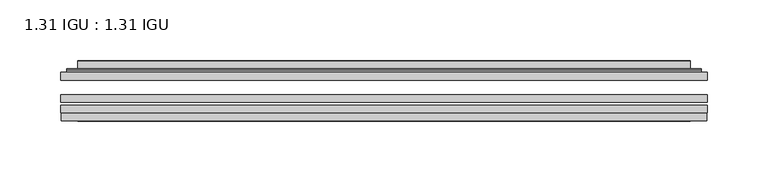
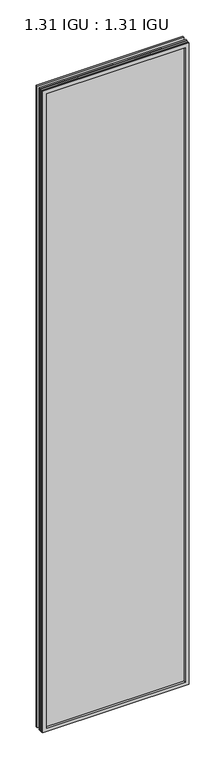
"""IFC4 building model written with IfcOpenShell, lengths in millimetres: plate geometry, 1.31 IGU : 1.31 IGU."""

from ifc_helpers import new_model, si_unit, frame, origin, place, context, project, spatial, polyline, ellipse_curve, outline, extrude, faceted_brep, source, transform, mapped, element, save
from ifc_brep_helpers import plane_surface, cylinder_surface, advanced_brep


def plate_1_31_igu_1_31_igu_f1dbaf82(model_context):
    return source(origin(), model_context, "Body", "SolidModel", [
        extrude(outline(polyline([(266.7140393, -63.59525), (266.7140393, -69.94525), (-266.6998644, -69.94525), (-266.6998644, -63.59525), (266.7140393, -63.59525)])), frame((0.0, 0.0, -14.2875), z_axis=(0.0, 0.0, 1.0), x_axis=(1.0, 0.0, 0.0)), (0.0, 0.0, 1.0), 2466.996575),
        extrude(outline(polyline([(-266.6998644, -78.58125), (-266.6998644, -72.230745), (266.7140393, -72.230745), (266.7140393, -78.58125), (-266.6998644, -78.58125)])), frame((0.0, 0.0, -14.2875), z_axis=(0.0, 0.0, 1.0), x_axis=(1.0, 0.0, 0.0)), (0.0, 0.0, 1.0), 2466.996575),
        extrude(outline(polyline([(266.7140393, -45.25645), (266.7140393, -51.60645), (-266.6998644, -51.60645), (-266.6998644, -45.25645), (266.7140393, -45.25645)])), frame((0.0, 0.0, -14.2875), z_axis=(0.0, 0.0, 1.0), x_axis=(1.0, 0.0, 0.0)), (0.0, 0.0, 1.0), 2466.996575),
        faceted_brep([(-265.9996786, -84.93125, 2452.0050914), (-265.9996786, -78.58125, 2452.0050914), (-265.9996786, -78.58125, -13.5873142), (-265.9996786, -84.93125, -13.5873142), (265.9996786, -78.58125, -13.5873142), (265.9996786, -84.93125, -13.5873142), (265.9996786, -78.58125, 2452.0050914), (265.9996786, -84.93125, 2452.0050914), (-251.5146202, -78.58125, 0.8977441), (251.5146202, -78.58125, 0.8977441), (251.5146202, -78.58125, 2437.520033), (-251.5146202, -78.58125, 2437.520033), (-252.4070545, -84.93125, 2438.4124673), (252.4070545, -84.93125, 2438.4124673), (252.4070545, -84.93125, 0.0053098), (-252.4070545, -84.93125, 0.0053098)], [[[0, 1, 2, 3]], [[3, 2, 4, 5]], [[5, 4, 6, 7]], [[1, 6, 4, 2], [8, 9, 10, 11]], [[7, 6, 1, 0]], [[3, 5, 7, 0], [12, 13, 14, 15]], [[11, 12, 15, 8]], [[8, 15, 14, 9]], [[9, 14, 13, 10]], [[10, 13, 12, 11]]]),
        advanced_brep(
        [(-259.4585834, -45.25645, 2445.4639962), (-261.8127888, -43.2667833, 2447.8182015), (-261.8127888, -43.2667833, -9.4004244), (-259.4585834, -45.25645, -7.046219), (-250.3842583, -41.416413, 2436.3896711), (-245.4494264, -45.25645, 2431.4548392), (-245.4494264, -45.25645, 6.9629379), (-250.3842583, -41.416413, 2.0281061), (-251.416286, -36.0191819, 2437.4216988), (-251.416286, -36.0191819, 0.9960783), (-252.4069428, -35.6202069, 2438.4123556), (-252.4069428, -35.6202069, 0.0054216), (-252.4069428, -42.08145, 2438.4123556), (-252.4069428, -42.08145, 0.0054216), (-260.8109992, -42.08145, 2446.816412), (-260.8109992, -42.08145, -8.3986349), (261.8127888, -43.2667833, -9.4004244), (259.4585834, -45.25645, -7.046219), (245.4494264, -45.25645, 6.9629379), (250.3842583, -41.416413, 2.0281061), (251.416286, -36.0191819, 0.9960783), (252.4069428, -35.6202069, 0.0054216), (252.4069428, -42.08145, 0.0054216), (260.8109992, -42.08145, -8.3986349), (261.8127888, -43.2667833, 2447.8182015), (259.4585834, -45.25645, 2445.4639962), (245.4494264, -45.25645, 2431.4548392), (250.3842583, -41.416413, 2436.3896711), (251.416286, -36.0191819, 2437.4216988), (252.4069428, -35.6202069, 2438.4123556), (252.4069428, -42.08145, 2438.4123556), (260.8109992, -42.08145, 2446.816412)],
        [
            (0, 1, ellipse_curve(frame((-259.4585834, -42.86885, 2445.4639962), z_axis=(-0.7071067811865475, 0.0, -0.7071067811865475), x_axis=(-0.7071067811865474, 0.0, 0.7071067811865476)), 3.3765763, 2.3876)),
            (1, 2),
            (2, 3, ellipse_curve(frame((-259.4585834, -42.86885, -7.046219), z_axis=(-0.7071067811865475, 0.0, 0.7071067811865475), x_axis=(0.7071067811865474, 0.0, 0.7071067811865476)), 3.3765763, 2.3876)),
            (3, 0),
            (4, 5),
            (5, 6),
            (6, 7),
            (7, 4),
            (8, 4),
            (7, 9),
            (9, 8),
            (10, 8, ellipse_curve(frame((-252.0399862, -36.1384423, 2438.045399), z_axis=(-0.7071067811865475, 0.0, -0.7071067811865475), x_axis=(-0.7071067811865474, 0.0, 0.7071067811865476)), 0.8980256, 0.635)),
            (9, 11, ellipse_curve(frame((-252.0399862, -36.1384423, 0.3723781), z_axis=(-0.7071067811865475, 0.0, 0.7071067811865475), x_axis=(0.7071067811865474, 0.0, 0.7071067811865476)), 0.8980256, 0.635)),
            (11, 10),
            (12, 10),
            (11, 13),
            (13, 12),
            (1, 14, ellipse_curve(frame((-260.8109992, -43.09745, 2446.816412), z_axis=(-0.7071067811865475, 0.0, -0.7071067811865475), x_axis=(-0.7071067811865474, 0.0, 0.7071067811865476)), 1.436841, 1.016)),
            (14, 15),
            (15, 2, ellipse_curve(frame((-260.8109992, -43.09745, -8.3986349), z_axis=(-0.7071067811865475, 0.0, 0.7071067811865475), x_axis=(0.7071067811865474, 0.0, 0.7071067811865476)), 1.436841, 1.016)),
            (2, 16),
            (16, 17, ellipse_curve(frame((259.4585834, -42.86885, -7.046219), z_axis=(-0.7071067811865475, 0.0, -0.7071067811865475), x_axis=(-0.7071067811865476, 0.0, 0.7071067811865474)), 3.3765763, 2.3876)),
            (17, 3),
            (6, 18),
            (18, 19),
            (19, 7),
            (19, 20),
            (20, 9),
            (20, 21, ellipse_curve(frame((252.0399862, -36.1384423, 0.3723781), z_axis=(-0.7071067811865475, 0.0, -0.7071067811865475), x_axis=(-0.7071067811865476, 0.0, 0.7071067811865474)), 0.8980256, 0.635)),
            (21, 11),
            (21, 22),
            (22, 13),
            (15, 23),
            (23, 16, ellipse_curve(frame((260.8109992, -43.09745, -8.3986349), z_axis=(-0.7071067811865475, 0.0, -0.7071067811865475), x_axis=(-0.7071067811865476, 0.0, 0.7071067811865474)), 1.436841, 1.016)),
            (16, 24),
            (24, 25, ellipse_curve(frame((259.4585834, -42.86885, 2445.4639962), z_axis=(0.7071067811865475, 0.0, -0.7071067811865475), x_axis=(-0.7071067811865474, 0.0, -0.7071067811865476)), 3.3765763, 2.3876)),
            (25, 17),
            (18, 26),
            (26, 27),
            (27, 19),
            (27, 28),
            (28, 20),
            (28, 29, ellipse_curve(frame((252.0399862, -36.1384423, 2438.045399), z_axis=(0.7071067811865475, 0.0, -0.7071067811865475), x_axis=(-0.7071067811865474, 0.0, -0.7071067811865476)), 0.8980256, 0.635)),
            (29, 21),
            (29, 30),
            (30, 22),
            (23, 31),
            (31, 24, ellipse_curve(frame((260.8109992, -43.09745, 2446.816412), z_axis=(0.7071067811865475, 0.0, -0.7071067811865475), x_axis=(-0.7071067811865474, 0.0, -0.7071067811865476)), 1.436841, 1.016)),
            (24, 1),
            (0, 25),
            (5, 26),
            (4, 27),
            (8, 28),
            (10, 29),
            (12, 30),
            (14, 31),
        ],
        [
            cylinder_surface(frame((-259.4585834, -42.86885, 2470.1677772), z_axis=(0.0, 0.0, 1.0), x_axis=(-1.0, 0.0, 0.0)), 2.3876),
            plane_surface(frame((-245.4494264, -45.25645, 2431.4548392), z_axis=(0.6141233906514794, 0.7892100234124821, 0.0), x_axis=(0.0, 0.0, -1.0))),
            plane_surface(frame((-250.3842583, -41.416413, 2436.3896711), z_axis=(0.9822050625507729, 0.18781164793386076, 0.0), x_axis=(0.0, 0.0, -1.0))),
            cylinder_surface(frame((-252.0399862, -36.1384423, 2470.1677772), z_axis=(0.0, 0.0, 1.0), x_axis=(-1.0, 0.0, 0.0)), 0.635),
            plane_surface(frame((-252.4069428, -35.6202069, 2438.4123556), z_axis=(-1.0, 0.0, 0.0), x_axis=(0.0, 0.0, -1.0))),
            cylinder_surface(frame((-260.8109992, -43.09745, 2470.1677772), z_axis=(0.0, 0.0, 1.0), x_axis=(-1.0, 0.0, 0.0)), 1.016),
            cylinder_surface(frame((-284.1623644, -42.86885, -7.046219), z_axis=(-1.0, 0.0, 0.0), x_axis=(0.0, 0.0, -1.0)), 2.3876),
            plane_surface(frame((-245.4494264, -45.25645, 6.9629379), z_axis=(0.0, 0.7892100234124841, 0.6141233906514768), x_axis=(1.0, 0.0, 0.0))),
            plane_surface(frame((-250.3842583, -41.416413, 2.0281061), z_axis=(0.0, 0.18781164793386393, 0.9822050625507723), x_axis=(1.0, 0.0, 0.0))),
            cylinder_surface(frame((-284.1623644, -36.1384423, 0.3723781), z_axis=(-1.0, 0.0, 0.0), x_axis=(0.0, 0.0, -1.0)), 0.635),
            plane_surface(frame((-252.4069428, -35.6202069, 0.0054216), z_axis=(0.0, 0.0, -1.0), x_axis=(1.0, 0.0, 0.0))),
            cylinder_surface(frame((-284.1623644, -43.09745, -8.3986349), z_axis=(-1.0, 0.0, 0.0), x_axis=(0.0, 0.0, -1.0)), 1.016),
            cylinder_surface(frame((259.4585834, -42.86885, -31.75), z_axis=(0.0, 0.0, -1.0), x_axis=(1.0, 0.0, 0.0)), 2.3876),
            plane_surface(frame((245.4494264, -45.25645, 6.9629379), z_axis=(-0.6141233906514743, 0.7892100234124861, 0.0), x_axis=(0.0, 0.0, 1.0))),
            plane_surface(frame((250.3842583, -41.416413, 2.0281061), z_axis=(-0.9822050625507718, 0.1878116479338671, 0.0), x_axis=(0.0, 0.0, 1.0))),
            cylinder_surface(frame((252.0399862, -36.1384423, -31.75), z_axis=(0.0, 0.0, -1.0), x_axis=(1.0, 0.0, 0.0)), 0.635),
            plane_surface(frame((252.4069428, -35.6202069, 0.0054216), z_axis=(1.0, 0.0, 0.0), x_axis=(0.0, 0.0, 1.0))),
            cylinder_surface(frame((260.8109992, -43.09745, -31.75), z_axis=(0.0, 0.0, -1.0), x_axis=(1.0, 0.0, 0.0)), 1.016),
            cylinder_surface(frame((284.1623644, -42.86885, 2445.4639962), z_axis=(1.0, 0.0, 0.0), x_axis=(0.0, 0.0, 1.0)), 2.3876),
            plane_surface(frame((259.4585834, -45.25645, 2445.4639962), z_axis=(0.0, -1.0, 0.0), x_axis=(-1.0, 0.0, 0.0))),
            plane_surface(frame((245.4494264, -45.25645, 2431.4548392), z_axis=(0.0, 0.7892100234124841, -0.6141233906514768), x_axis=(-1.0, 0.0, 0.0))),
            plane_surface(frame((250.3842583, -41.416413, 2436.3896711), z_axis=(0.0, 0.18781164793386393, -0.9822050625507723), x_axis=(-1.0, 0.0, 0.0))),
            cylinder_surface(frame((284.1623644, -36.1384423, 2438.045399), z_axis=(1.0, 0.0, 0.0), x_axis=(0.0, 0.0, 1.0)), 0.635),
            plane_surface(frame((252.4069428, -35.6202069, 2438.4123556), z_axis=(0.0, 0.0, 1.0), x_axis=(-1.0, 0.0, 0.0))),
            plane_surface(frame((252.4069428, -42.08145, 2438.4123556), z_axis=(0.0, 1.0, 0.0), x_axis=(-1.0, 0.0, 0.0))),
            cylinder_surface(frame((284.1623644, -43.09745, 2446.816412), z_axis=(1.0, 0.0, 0.0), x_axis=(0.0, 0.0, 1.0)), 1.016),
        ],
        [
            (0, [[1, 2, 3, 4]]),
            (1, [[5, 6, 7, 8]]),
            (2, [[9, -8, 10, 11]]),
            (3, [[12, -11, 13, 14]]),
            (4, [[15, -14, 16, 17]]),
            (5, [[18, 19, 20, -2]]),
            (6, [[-3, 21, 22, 23]]),
            (7, [[-7, 24, 25, 26]]),
            (8, [[-10, -26, 27, 28]]),
            (9, [[-13, -28, 29, 30]]),
            (10, [[-16, -30, 31, 32]]),
            (11, [[-20, 33, 34, -21]]),
            (12, [[-22, 35, 36, 37]]),
            (13, [[-25, 38, 39, 40]]),
            (14, [[-27, -40, 41, 42]]),
            (15, [[-29, -42, 43, 44]]),
            (16, [[-31, -44, 45, 46]]),
            (17, [[-34, 47, 48, -35]]),
            (18, [[-36, 49, -1, 50]]),
            (19, [[-23, -37, -50, -4], [51, -38, -24, -6]]),
            (20, [[-39, -51, -5, 52]]),
            (21, [[-41, -52, -9, 53]]),
            (22, [[-43, -53, -12, 54]]),
            (23, [[-45, -54, -15, 55]]),
            (24, [[56, -47, -33, -19], [-32, -46, -55, -17]]),
            (25, [[-48, -56, -18, -49]]),
        ],
    ),
    ])


if __name__ == "__main__":
    model = new_model("IFC4")
    model_context = context("Model", 3, world=origin())
    ifc_project = project(units=[si_unit("LENGTHUNIT", "METRE", prefix="MILLI")], contexts=[model_context])
    site = spatial("IfcSite", under=ifc_project)
    building = spatial("IfcBuilding", under=site)
    placement = place(None, origin())
    plate_1_31_igu_1_31_igu_shape = plate_1_31_igu_1_31_igu_f1dbaf82(model_context)
    element("IfcPlate", 1, ObjectType="1.31 IGU : 1.31 IGU", at=placement, inside=building, context=model_context, shape_type="MappedRepresentation", body=[
        mapped(plate_1_31_igu_1_31_igu_shape, transform((0.0, 0.0, 0.0), x_axis=(1.0, 0.0, 0.0), y_axis=(0.0, 1.0, 0.0), z_axis=(0.0, 0.0, 1.0))),
    ])
    save(model, "model.ifc")
